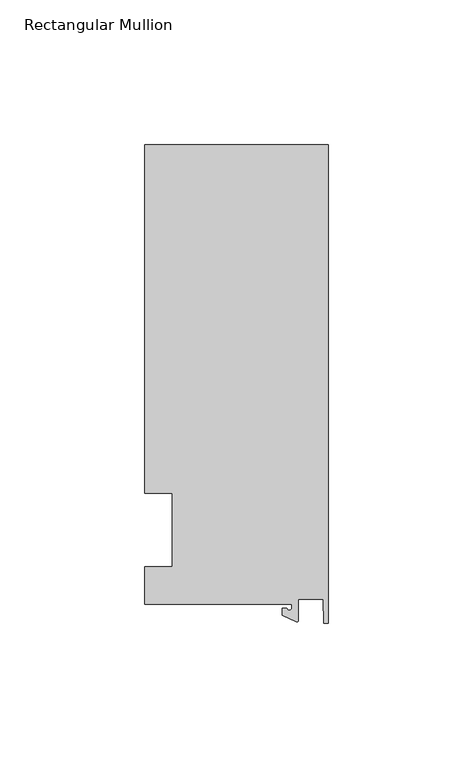
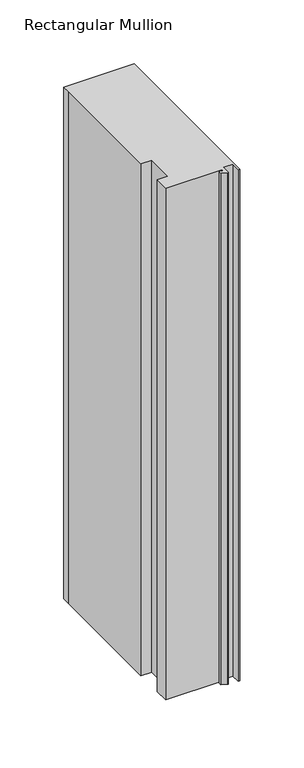
"""IFC4 building model written with IfcOpenShell, lengths in millimetres: member geometry, Rectangular Mullion."""

from ifc_helpers import new_model, si_unit, point, frame, frame_2d, origin, place, context, project, spatial, polyline, circle_curve, trimmed, segment, composite_curve, outline, extrude, source, transform, mapped, element, save


def rectangular_mullion_3fec323c(model_context):
    return source(origin(), model_context, "Body", "SweptSolid", [
        extrude(outline(composite_curve([segment(polyline([(-12.6173814, -25.796875), (-63.5, -25.796875), (-63.5, -12.7), (-53.975, -12.7), (-53.975, 12.7), (-63.5, 12.7), (-63.5, 125.8114907), (-63.5, 133.34365), (0.0, 133.34365), (0.0, -32.288874), (-1.5658966, -32.288874), (-1.7144124, -23.9227662), (-10.2297814, -23.9227662), (-10.2297814, -31.2414327)]), True, "CONTINUOUS"), segment(trimmed(circle_curve(frame_2d((-10.7377814, -31.2414327)), 0.508), [point((-10.2297814, -31.2414327))], [point((-10.9524715, -31.7018371))], False, "CARTESIAN"), True, "CONTINUOUS"), segment(polyline([(-10.9524715, -31.7018371), (-15.7923814, -29.44495), (-15.7923814, -27.0827507), (-14.2048814, -27.0827507)]), True, "CONTINUOUS"), segment(trimmed(circle_curve(frame_2d((-13.4111314, -27.0827507)), 0.79375), [point((-14.2048814, -27.0827507))], [point((-12.6173814, -27.0827507))], True, "CARTESIAN"), True, "CONTINUOUS"), segment(polyline([(-12.6173814, -27.0827507), (-12.6173814, -25.796875)]), True, "CONTINUOUS")], self_intersect=False)), frame((0.0, 0.0, -488.95), z_axis=(0.0, 0.0, 1.0), x_axis=(1.0, 0.0, 0.0)), (0.0, 0.0, 1.0), 488.95),
    ])


if __name__ == "__main__":
    model = new_model("IFC4")
    model_context = context("Model", 3, world=origin())
    ifc_project = project(units=[si_unit("LENGTHUNIT", "METRE", prefix="MILLI")], contexts=[model_context])
    site = spatial("IfcSite", under=ifc_project)
    building = spatial("IfcBuilding", under=site)
    placement = place(None, origin())
    rectangular_mullion_shape = rectangular_mullion_3fec323c(model_context)
    element("IfcMember", 1, ObjectType="Rectangular Mullion", at=placement, inside=building, context=model_context, shape_type="MappedRepresentation", body=[
        mapped(rectangular_mullion_shape, transform((0.0, 0.0, 0.0), x_axis=(1.0, 0.0, 0.0), y_axis=(0.0, 1.0, 0.0), z_axis=(0.0, 0.0, 1.0))),
    ])
    save(model, "model.ifc")
